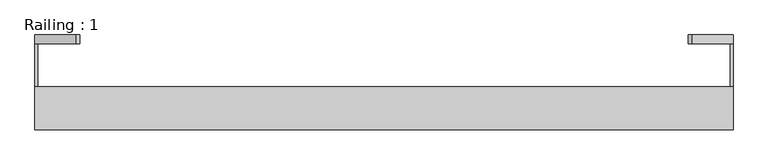
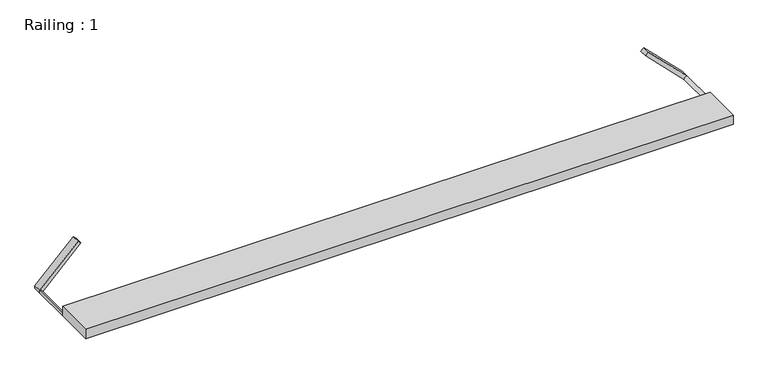
"""IFC4 building model written with IfcOpenShell, lengths in millimetres: proxy geometry, Railing : 1."""

import ifcopenshell
import ifcopenshell.guid

model = None  # the IFC model being written
_history = None  # IfcOwnerHistory: only IFC2X3 demands one
_inside = {}  # id of a spatial element -> (the spatial element, [elements in it])
_under = {}  # id of a project, library or spatial element -> (it, [spatial elements below it])
_declared = {}  # id of a project -> (the project, [libraries it declares])
_typed = {}  # id of a type object -> (the type object, [elements of that type])
_made_of = {}  # id of a material, layer set ... -> (it, [elements and type objects made of it])


def new_model(schema):
    """Start an empty IFC model of exactly this schema.

    Asked for "IFC4X3", IfcOpenShell would pick the latest addendum, in which some entities
    have other attributes; the version numbers below select the first issue.
    IFC2X3 requires an IfcOwnerHistory on every rooted entity: one is made here for all.
    """
    global model, _history
    if schema == "IFC4X3":
        model = ifcopenshell.file(schema_version=(4, 3, 0, 0))
    else:
        model = ifcopenshell.file(schema=schema)
    _inside.clear()
    _under.clear()
    _declared.clear()
    _typed.clear()
    _made_of.clear()
    _history = None
    if model.schema == "IFC2X3":
        org = make("IfcOrganization", Name="unknown")
        user = make(
            "IfcPersonAndOrganization",
            ThePerson=make("IfcPerson", FamilyName="unknown"),
            TheOrganization=org,
        )
        app = make(
            "IfcApplication",
            ApplicationDeveloper=org,
            Version="unknown",
            ApplicationFullName="unknown",
            ApplicationIdentifier="unknown",
        )
        _history = make(
            "IfcOwnerHistory",
            OwningUser=user,
            OwningApplication=app,
            ChangeAction="ADDED",
            CreationDate=0,
        )
    return model


def make(cls, **values):
    """One entity of the class cls with the attributes given. An attribute that is None is left unset."""
    return model.create_entity(
        cls, **{name: value for name, value in values.items() if value is not None}
    )


def rooted(cls, **values):
    """An entity with a GlobalId (a new one), such as an element, a storey or a relation."""
    return make(cls, GlobalId=ifcopenshell.guid.new(), OwnerHistory=_history, **values)


def si_unit(unit_type, name, prefix=None):
    """IfcSIUnit, for example si_unit("LENGTHUNIT", "METRE", prefix="MILLI")."""
    return make("IfcSIUnit", UnitType=unit_type, Prefix=prefix, Name=name)


def assignment(units):
    """IfcUnitAssignment: the units of a project."""
    return None if units is None else make("IfcUnitAssignment", Units=units)


def point(xyz):
    """IfcCartesianPoint."""
    return None if xyz is None else make("IfcCartesianPoint", Coordinates=xyz)


def direction(xyz):
    """IfcDirection."""
    return None if xyz is None else make("IfcDirection", DirectionRatios=xyz)


def frame(location, z_axis=None, x_axis=None):
    """IfcAxis2Placement3D, a coordinate frame: its origin and axes. An axis left out is left unset."""
    return make(
        "IfcAxis2Placement3D",
        Location=point(location),
        Axis=direction(z_axis),
        RefDirection=direction(x_axis),
    )


def frame_2d(location, x_axis=None):
    """IfcAxis2Placement2D, a coordinate frame in the plane: its origin and x axis."""
    return make(
        "IfcAxis2Placement2D", Location=point(location), RefDirection=direction(x_axis)
    )


def origin():
    """The frame at (0, 0, 0) with its axes left unset."""
    return frame((0.0, 0.0, 0.0))


def origin_with_axes():
    """The frame at (0, 0, 0) with the z axis (0, 0, 1) and the x axis (1, 0, 0) written out."""
    return frame((0.0, 0.0, 0.0), z_axis=(0.0, 0.0, 1.0), x_axis=(1.0, 0.0, 0.0))


def place(relative_to, where):
    """IfcLocalPlacement: puts the frame where relative to a parent placement (None: the world)."""
    return make(
        "IfcLocalPlacement", PlacementRelTo=relative_to, RelativePlacement=where
    )


def context(
    kind, dimensions, precision=None, world=None, true_north=None, identifier=None
):
    """IfcGeometricRepresentationContext, for example the 3D "Model" context."""
    return make(
        "IfcGeometricRepresentationContext",
        ContextIdentifier=identifier,
        ContextType=kind,
        CoordinateSpaceDimension=dimensions,
        Precision=precision,
        WorldCoordinateSystem=world,
        TrueNorth=true_north,
    )


def project(units=None, contexts=None):
    """IfcProject with its units and contexts."""
    return rooted(
        "IfcProject",
        Name="project",
        RepresentationContexts=contexts,
        UnitsInContext=assignment(units),
    )


def spatial(cls, under=None, at=None, **own):
    """A site, building, storey or space (cls), placed at a placement, below another one or the project."""
    s = rooted(cls, ObjectPlacement=at, **own)
    if under is not None:
        _under.setdefault(under.id(), (under, []))[1].append(s)
    return s


def polyline(points):
    """IfcPolyline through the points."""
    return make("IfcPolyline", Points=[point(p) for p in points])


def circle_curve(where, radius):
    """IfcCircle in the frame where."""
    return make("IfcCircle", Position=where, Radius=radius)


def trimmed(basis, trim1, trim2, sense, master):
    """IfcTrimmedCurve: the piece of a basis curve between two trims."""
    return make(
        "IfcTrimmedCurve",
        BasisCurve=basis,
        Trim1=trim1,
        Trim2=trim2,
        SenseAgreement=sense,
        MasterRepresentation=master,
    )


def segment(curve, same_sense, transition):
    """IfcCompositeCurveSegment."""
    return make(
        "IfcCompositeCurveSegment",
        Transition=transition,
        SameSense=same_sense,
        ParentCurve=curve,
    )


def composite_curve(segments, self_intersect=None):
    """IfcCompositeCurve: segments joined end to end."""
    return make("IfcCompositeCurve", Segments=segments, SelfIntersect=self_intersect)


def outline(outer, holes=None, kind="AREA"):
    """IfcArbitraryClosedProfileDef: a profile drawn as a closed curve; with holes, ...WithVoids."""
    if holes is None:
        return make("IfcArbitraryClosedProfileDef", ProfileType=kind, OuterCurve=outer)
    return make(
        "IfcArbitraryProfileDefWithVoids",
        ProfileType=kind,
        OuterCurve=outer,
        InnerCurves=holes,
    )


def extrude(swept, where, along, depth):
    """IfcExtrudedAreaSolid: the profile swept, set in the frame where, extruded along a direction by depth."""
    return make(
        "IfcExtrudedAreaSolid",
        SweptArea=swept,
        Position=where,
        ExtrudedDirection=direction(along),
        Depth=depth,
    )


def shape(context_of_items, identifier, shape_type, items):
    """IfcShapeRepresentation: the items that make up one representation, for example the "Body"."""
    return make(
        "IfcShapeRepresentation",
        ContextOfItems=context_of_items,
        RepresentationIdentifier=identifier,
        RepresentationType=shape_type,
        Items=items,
    )


def source(mapping_origin, context_of_items, identifier, shape_type, items):
    """IfcRepresentationMap: a shape defined once, which mapped items show again and again."""
    return make(
        "IfcRepresentationMap",
        MappingOrigin=mapping_origin,
        MappedRepresentation=shape(context_of_items, identifier, shape_type, items),
    )


def transform(
    local_origin,
    x_axis=None,
    y_axis=None,
    z_axis=None,
    scale=None,
    scale2=None,
    scale3=None,
    uniform=True,
):
    """IfcCartesianTransformationOperator3D, or its non-uniform kind. x_axis, y_axis, z_axis: its Axis1, 2, 3."""
    if uniform:
        return make(
            "IfcCartesianTransformationOperator3D",
            Axis1=direction(x_axis),
            Axis2=direction(y_axis),
            LocalOrigin=point(local_origin),
            Scale=scale,
            Axis3=direction(z_axis),
        )
    return make(
        "IfcCartesianTransformationOperator3DnonUniform",
        Axis1=direction(x_axis),
        Axis2=direction(y_axis),
        LocalOrigin=point(local_origin),
        Scale=scale,
        Axis3=direction(z_axis),
        Scale2=scale2,
        Scale3=scale3,
    )


def mapped(mapping_source, mapping_target):
    """IfcMappedItem: shows the shape of a source again, moved by a transform."""
    return make(
        "IfcMappedItem", MappingSource=mapping_source, MappingTarget=mapping_target
    )


def made_of(thing, what):
    """Note that an element or type object is made of a material, layer set ...; save() writes the relation."""
    if what is not None:
        _made_of.setdefault(what.id(), (what, []))[1].append(thing)
    return thing


def element(
    cls,
    number,
    at=None,
    inside=None,
    cuts=None,
    type_object=None,
    material=None,
    context=None,
    identifier="Body",
    shape_type=None,
    held_by="IfcProductDefinitionShape",
    body=None,
    shapes=None,
    **own,
):
    """One element of the class cls, such as IfcWall. Its Tag is "e" and its number.

    at: its placement. inside: the storey or other place that contains it. cuts: it is an
    opening in that element (IfcRelVoidsElement). A single representation is given by context,
    identifier, shape_type and body (its items); several are given by shapes. held_by: the class
    of the entity that holds the representations. save() writes the other relations.
    """
    e = rooted(cls, Tag="e%d" % number, ObjectPlacement=at, **own)
    if body is not None:
        shapes = [shape(context, identifier, shape_type, body)]
    if shapes is not None:
        e.Representation = make(held_by, Representations=shapes)
    if inside is not None:
        _inside.setdefault(inside.id(), (inside, []))[1].append(e)
    if cuts is not None:
        rooted(
            "IfcRelVoidsElement", RelatingBuildingElement=cuts, RelatedOpeningElement=e
        )
    if type_object is not None:
        _typed.setdefault(type_object.id(), (type_object, []))[1].append(e)
    return made_of(e, material)


def aggregate(whole, parts):
    """IfcRelAggregates: a whole, such as a stair, and the parts it consists of."""
    return rooted("IfcRelAggregates", RelatingObject=whole, RelatedObjects=parts)


def save(model, path):
    """Write the relations noted so far, then the file.

    IfcRelAggregates (storeys below a building ...), IfcRelContainedInSpatialStructure (elements
    in a storey), IfcRelDefinesByType, IfcRelAssociatesMaterial and IfcRelDeclares: one each for
    every whole, place, type object, material and project.
    """
    for whole, parts in _under.values():
        aggregate(whole, parts)
    for where, things in _inside.values():
        rooted(
            "IfcRelContainedInSpatialStructure",
            RelatedElements=things,
            RelatingStructure=where,
        )
    for kind, things in _typed.values():
        rooted("IfcRelDefinesByType", RelatedObjects=things, RelatingType=kind)
    for what, things in _made_of.values():
        rooted("IfcRelAssociatesMaterial", RelatedObjects=things, RelatingMaterial=what)
    for by, libraries in _declared.values():
        rooted("IfcRelDeclares", RelatingContext=by, RelatedDefinitions=libraries)
    model.write(path)


def railing_1_5032da7f(model_context):
    return source(origin(), model_context, "Body", "SweptSolid", [
        extrude(outline(polyline([(810.0, -148.3559767), (810.0, -248.3559767), (-810.0, -248.3559767), (-810.0, -148.3559767), (810.0, -148.3559767)])), origin_with_axes(), (0.0, 0.0, 1.0), 25.0),
        extrude(outline(composite_curve([segment(polyline([(0.0, 810.0), (7.0710678, 810.0)]), True, "CONTINUOUS"), segment(trimmed(circle_curve(frame_2d((0.0, 810.0)), 7.0710678), [point((7.0710678, 810.0))], [point((0.0, 802.9289322))], False, "CARTESIAN"), True, "CONTINUOUS"), segment(polyline([(0.0, 802.9289322), (0.0, 810.0)]), True, "CONTINUOUS")], self_intersect=False)), frame((0.0, -148.3559767, 0.0), z_axis=(0.0, 1.0, 0.0), x_axis=(0.0, 0.0, 1.0)), (0.0, 0.0, 1.0), 100.0),
        extrude(outline(composite_curve([segment(polyline([(0.0, -810.0), (0.0, -802.9289322)]), True, "CONTINUOUS"), segment(trimmed(circle_curve(frame_2d((0.0, -810.0)), 7.0710678), [point((0.0, -802.9289322))], [point((7.0710678, -810.0))], False, "CARTESIAN"), True, "CONTINUOUS"), segment(polyline([(7.0710678, -810.0), (0.0, -810.0)]), True, "CONTINUOUS")], self_intersect=False)), frame((0.0, -148.3559767, 0.0), z_axis=(0.0, 1.0, 0.0), x_axis=(0.0, 0.0, 1.0)), (0.0, 0.0, 1.0), 100.0),
        extrude(outline(polyline([(103.5355339, 713.5355339), (96.4644661, 706.4644661), (0.0, 802.9289322), (0.0, 810.0), (7.0710678, 810.0), (103.5355339, 713.5355339)])), frame((0.0, -48.3559767, 0.0), z_axis=(0.0, 1.0, 0.0), x_axis=(0.0, 0.0, 1.0)), (0.0, 0.0, 1.0), 20.0),
        extrude(outline(polyline([(0.0, -810.0), (0.0, -802.9289322), (96.4644661, -706.4644661), (103.5355339, -713.5355339), (7.0710678, -810.0), (0.0, -810.0)])), frame((0.0, -48.3559767, 0.0), z_axis=(0.0, 1.0, 0.0), x_axis=(0.0, 0.0, 1.0)), (0.0, 0.0, 1.0), 20.0),
    ])


if __name__ == "__main__":
    model = new_model("IFC4")
    model_context = context("Model", 3, world=origin())
    ifc_project = project(units=[si_unit("LENGTHUNIT", "METRE", prefix="MILLI")], contexts=[model_context])
    site = spatial("IfcSite", under=ifc_project)
    building = spatial("IfcBuilding", under=site)
    placement = place(None, origin())
    railing_1_shape = railing_1_5032da7f(model_context)
    element("IfcBuildingElementProxy", 1, Name="Railing : 1", ObjectType="Railing : 1", at=placement, inside=building, context=model_context, shape_type="MappedRepresentation", body=[
        mapped(railing_1_shape, transform((0.0, 0.0, 0.0), x_axis=(1.0, 0.0, 0.0), y_axis=(0.0, 1.0, 0.0), z_axis=(0.0, 0.0, 1.0))),
    ])
    save(model, "model.ifc")
